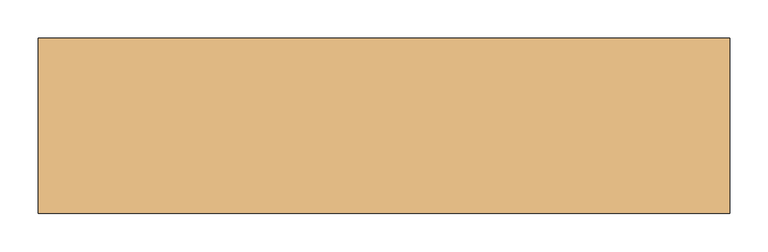
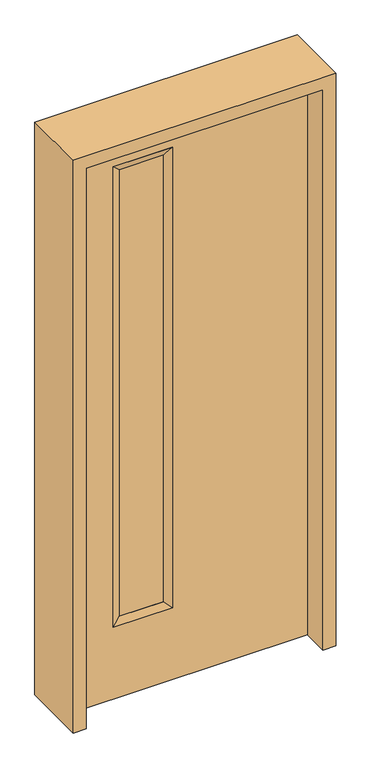
"""IFC4 building model written with IfcOpenShell, lengths in millimetres: door geometry."""

from ifc_helpers import new_model, si_unit, frame, origin, place, context, project, spatial, polyline, outline, extrude, faceted_brep, source, transform, mapped, element, save


def door_c639a43a(model_context):
    return source(origin(), model_context, "Body", "SolidModel", [
        faceted_brep([(-57.15, 22.225, 1930.4), (-57.15, -22.225, 1930.4), (-57.15, -22.225, 260.35), (-57.15, 22.225, 260.35), (-82.55, -12.7039749, 1905.0), (-82.55, -12.7039749, 285.75), (-260.35, -22.225, 260.35), (-260.35, 22.225, 260.35), (-82.55, 14.2875, 1905.0), (-82.55, 14.2875, 285.75), (-234.95, 14.2875, 285.75), (-234.95, -12.7039749, 285.75), (-260.35, -22.225, 1930.4), (-260.35, 22.225, 1930.4), (-234.95, 14.2875, 1905.0), (-234.95, -12.7039749, 1905.0)], [[[0, 1, 2, 3]], [[1, 4, 5, 2]], [[3, 2, 6, 7]], [[8, 0, 3, 9]], [[4, 8, 9, 5]], [[5, 9, 10, 11]], [[2, 5, 11, 6]], [[7, 6, 12, 13]], [[9, 3, 7, 10]], [[11, 10, 14, 15]], [[6, 11, 15, 12]], [[10, 7, 13, 14]], [[13, 12, 1, 0]], [[15, 14, 8, 4]], [[12, 15, 4, 1]], [[14, 13, 0, 8]]]),
        extrude(outline(polyline([(2032.0, -406.4), (0.0, -406.4), (0.0, 406.4), (2032.0, 406.4), (2032.0, -406.4)]), holes=[polyline([(1930.4, -57.15), (260.35, -57.15), (260.35, -260.35), (1930.4, -260.35), (1930.4, -57.15)])]), frame((0.0, -22.225, 0.0), z_axis=(0.0, 1.0, 0.0), x_axis=(0.0, 0.0, 1.0)), (0.0, 0.0, 1.0), 44.45),
        extrude(outline(polyline([(-82.55, -12.7039749), (-234.95, -12.7039749), (-234.95, 14.2875), (-82.55, 14.2875), (-82.55, -12.7039749)])), frame((0.0, 0.0, 285.75), z_axis=(0.0, 0.0, 1.0), x_axis=(1.0, 0.0, 0.0)), (0.0, 0.0, 1.0), 1619.25),
        extrude(outline(polyline([(0.0, 406.4), (0.0, 450.85), (2076.45, 450.85), (2076.45, -450.85), (0.0, -450.85), (0.0, -406.4), (2032.0, -406.4), (2032.0, 406.4), (0.0, 406.4)])), frame((0.0, -114.3, 0.0), z_axis=(0.0, 1.0, 0.0), x_axis=(0.0, 0.0, 1.0)), (0.0, 0.0, 1.0), 228.6),
    ])


if __name__ == "__main__":
    model = new_model("IFC4")
    model_context = context("Model", 3, world=origin())
    ifc_project = project(units=[si_unit("LENGTHUNIT", "METRE", prefix="MILLI")], contexts=[model_context])
    site = spatial("IfcSite", under=ifc_project)
    building = spatial("IfcBuilding", under=site)
    placement = place(None, origin())
    door_shape = door_c639a43a(model_context)
    element("IfcDoor", 1, at=placement, inside=building, context=model_context, shape_type="MappedRepresentation", body=[
        mapped(door_shape, transform((0.0, 0.0, 0.0), x_axis=(1.0, 0.0, 0.0), y_axis=(0.0, 1.0, 0.0), z_axis=(0.0, 0.0, 1.0))),
    ])
    save(model, "model.ifc")
